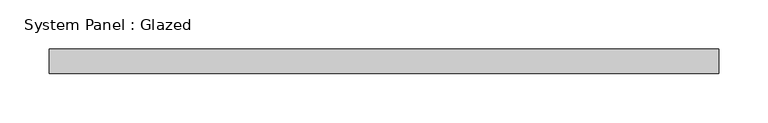
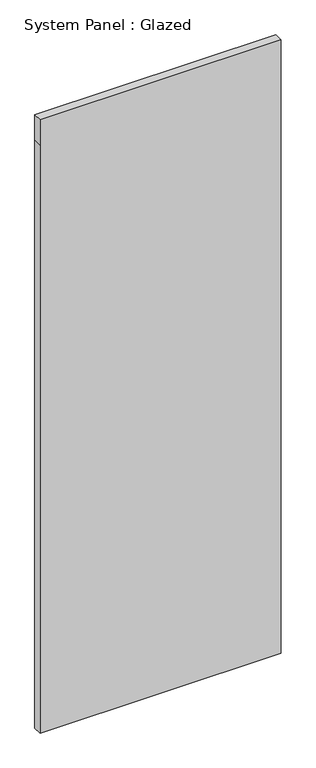
"""IFC4 building model written with IfcOpenShell, lengths in millimetres: plate geometry, System Panel : Glazed."""

from ifc_helpers import new_model, si_unit, frame, origin, place, context, project, spatial, polyline, outline, extrude, source, transform, mapped, element, save


def system_panel_glazed_5e8fad91(model_context):
    return source(origin(), model_context, "Body", "SweptSolid", [
        extrude(outline(polyline([(0.0, -340.0), (0.0, 340.0), (1753.3333333, 340.0), (1828.3333333, 340.0), (1828.3333333, -340.0), (1753.3333333, -340.0), (0.0, -340.0)])), frame((0.0, 24.5, 0.0), z_axis=(0.0, 1.0, 0.0), x_axis=(0.0, 0.0, 1.0)), (0.0, 0.0, 1.0), 25.0),
    ])


if __name__ == "__main__":
    model = new_model("IFC4")
    model_context = context("Model", 3, world=origin())
    ifc_project = project(units=[si_unit("LENGTHUNIT", "METRE", prefix="MILLI")], contexts=[model_context])
    site = spatial("IfcSite", under=ifc_project)
    building = spatial("IfcBuilding", under=site)
    placement = place(None, origin())
    system_panel_glazed_shape = system_panel_glazed_5e8fad91(model_context)
    element("IfcPlate", 1, ObjectType="System Panel : Glazed", at=placement, inside=building, context=model_context, shape_type="MappedRepresentation", body=[
        mapped(system_panel_glazed_shape, transform((0.0, 0.0, 0.0), x_axis=(1.0, 0.0, 0.0), y_axis=(0.0, 1.0, 0.0), z_axis=(0.0, 0.0, 1.0))),
    ])
    save(model, "model.ifc")
